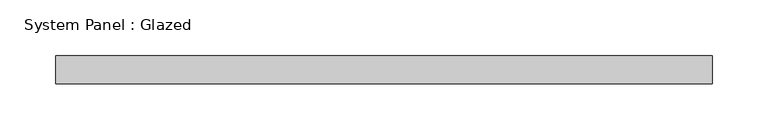
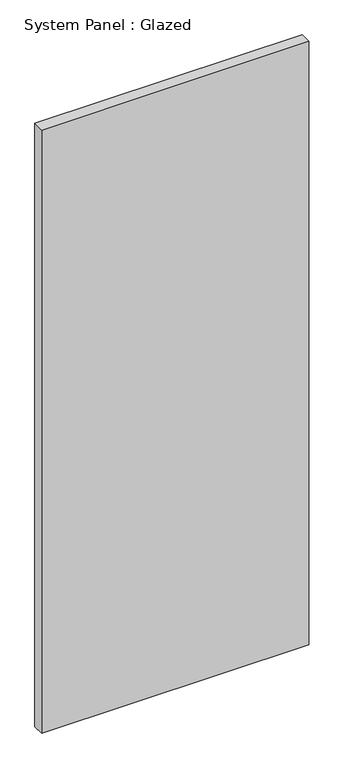
"""IFC4 building model written with IfcOpenShell, lengths in millimetres: plate geometry, System Panel : Glazed."""

import ifcopenshell
import ifcopenshell.guid

model = None  # the IFC model being written
_history = None  # IfcOwnerHistory: only IFC2X3 demands one
_inside = {}  # id of a spatial element -> (the spatial element, [elements in it])
_under = {}  # id of a project, library or spatial element -> (it, [spatial elements below it])
_declared = {}  # id of a project -> (the project, [libraries it declares])
_typed = {}  # id of a type object -> (the type object, [elements of that type])
_made_of = {}  # id of a material, layer set ... -> (it, [elements and type objects made of it])


def new_model(schema):
    """Start an empty IFC model of exactly this schema.

    Asked for "IFC4X3", IfcOpenShell would pick the latest addendum, in which some entities
    have other attributes; the version numbers below select the first issue.
    IFC2X3 requires an IfcOwnerHistory on every rooted entity: one is made here for all.
    """
    global model, _history
    if schema == "IFC4X3":
        model = ifcopenshell.file(schema_version=(4, 3, 0, 0))
    else:
        model = ifcopenshell.file(schema=schema)
    _inside.clear()
    _under.clear()
    _declared.clear()
    _typed.clear()
    _made_of.clear()
    _history = None
    if model.schema == "IFC2X3":
        org = make("IfcOrganization", Name="unknown")
        user = make(
            "IfcPersonAndOrganization",
            ThePerson=make("IfcPerson", FamilyName="unknown"),
            TheOrganization=org,
        )
        app = make(
            "IfcApplication",
            ApplicationDeveloper=org,
            Version="unknown",
            ApplicationFullName="unknown",
            ApplicationIdentifier="unknown",
        )
        _history = make(
            "IfcOwnerHistory",
            OwningUser=user,
            OwningApplication=app,
            ChangeAction="ADDED",
            CreationDate=0,
        )
    return model


def make(cls, **values):
    """One entity of the class cls with the attributes given. An attribute that is None is left unset."""
    return model.create_entity(
        cls, **{name: value for name, value in values.items() if value is not None}
    )


def rooted(cls, **values):
    """An entity with a GlobalId (a new one), such as an element, a storey or a relation."""
    return make(cls, GlobalId=ifcopenshell.guid.new(), OwnerHistory=_history, **values)


def si_unit(unit_type, name, prefix=None):
    """IfcSIUnit, for example si_unit("LENGTHUNIT", "METRE", prefix="MILLI")."""
    return make("IfcSIUnit", UnitType=unit_type, Prefix=prefix, Name=name)


def assignment(units):
    """IfcUnitAssignment: the units of a project."""
    return None if units is None else make("IfcUnitAssignment", Units=units)


def point(xyz):
    """IfcCartesianPoint."""
    return None if xyz is None else make("IfcCartesianPoint", Coordinates=xyz)


def direction(xyz):
    """IfcDirection."""
    return None if xyz is None else make("IfcDirection", DirectionRatios=xyz)


def frame(location, z_axis=None, x_axis=None):
    """IfcAxis2Placement3D, a coordinate frame: its origin and axes. An axis left out is left unset."""
    return make(
        "IfcAxis2Placement3D",
        Location=point(location),
        Axis=direction(z_axis),
        RefDirection=direction(x_axis),
    )


def origin():
    """The frame at (0, 0, 0) with its axes left unset."""
    return frame((0.0, 0.0, 0.0))


def origin_with_axes():
    """The frame at (0, 0, 0) with the z axis (0, 0, 1) and the x axis (1, 0, 0) written out."""
    return frame((0.0, 0.0, 0.0), z_axis=(0.0, 0.0, 1.0), x_axis=(1.0, 0.0, 0.0))


def place(relative_to, where):
    """IfcLocalPlacement: puts the frame where relative to a parent placement (None: the world)."""
    return make(
        "IfcLocalPlacement", PlacementRelTo=relative_to, RelativePlacement=where
    )


def context(
    kind, dimensions, precision=None, world=None, true_north=None, identifier=None
):
    """IfcGeometricRepresentationContext, for example the 3D "Model" context."""
    return make(
        "IfcGeometricRepresentationContext",
        ContextIdentifier=identifier,
        ContextType=kind,
        CoordinateSpaceDimension=dimensions,
        Precision=precision,
        WorldCoordinateSystem=world,
        TrueNorth=true_north,
    )


def project(units=None, contexts=None):
    """IfcProject with its units and contexts."""
    return rooted(
        "IfcProject",
        Name="project",
        RepresentationContexts=contexts,
        UnitsInContext=assignment(units),
    )


def spatial(cls, under=None, at=None, **own):
    """A site, building, storey or space (cls), placed at a placement, below another one or the project."""
    s = rooted(cls, ObjectPlacement=at, **own)
    if under is not None:
        _under.setdefault(under.id(), (under, []))[1].append(s)
    return s


def polyline(points):
    """IfcPolyline through the points."""
    return make("IfcPolyline", Points=[point(p) for p in points])


def outline(outer, holes=None, kind="AREA"):
    """IfcArbitraryClosedProfileDef: a profile drawn as a closed curve; with holes, ...WithVoids."""
    if holes is None:
        return make("IfcArbitraryClosedProfileDef", ProfileType=kind, OuterCurve=outer)
    return make(
        "IfcArbitraryProfileDefWithVoids",
        ProfileType=kind,
        OuterCurve=outer,
        InnerCurves=holes,
    )


def extrude(swept, where, along, depth):
    """IfcExtrudedAreaSolid: the profile swept, set in the frame where, extruded along a direction by depth."""
    return make(
        "IfcExtrudedAreaSolid",
        SweptArea=swept,
        Position=where,
        ExtrudedDirection=direction(along),
        Depth=depth,
    )


def shape(context_of_items, identifier, shape_type, items):
    """IfcShapeRepresentation: the items that make up one representation, for example the "Body"."""
    return make(
        "IfcShapeRepresentation",
        ContextOfItems=context_of_items,
        RepresentationIdentifier=identifier,
        RepresentationType=shape_type,
        Items=items,
    )


def source(mapping_origin, context_of_items, identifier, shape_type, items):
    """IfcRepresentationMap: a shape defined once, which mapped items show again and again."""
    return make(
        "IfcRepresentationMap",
        MappingOrigin=mapping_origin,
        MappedRepresentation=shape(context_of_items, identifier, shape_type, items),
    )


def transform(
    local_origin,
    x_axis=None,
    y_axis=None,
    z_axis=None,
    scale=None,
    scale2=None,
    scale3=None,
    uniform=True,
):
    """IfcCartesianTransformationOperator3D, or its non-uniform kind. x_axis, y_axis, z_axis: its Axis1, 2, 3."""
    if uniform:
        return make(
            "IfcCartesianTransformationOperator3D",
            Axis1=direction(x_axis),
            Axis2=direction(y_axis),
            LocalOrigin=point(local_origin),
            Scale=scale,
            Axis3=direction(z_axis),
        )
    return make(
        "IfcCartesianTransformationOperator3DnonUniform",
        Axis1=direction(x_axis),
        Axis2=direction(y_axis),
        LocalOrigin=point(local_origin),
        Scale=scale,
        Axis3=direction(z_axis),
        Scale2=scale2,
        Scale3=scale3,
    )


def mapped(mapping_source, mapping_target):
    """IfcMappedItem: shows the shape of a source again, moved by a transform."""
    return make(
        "IfcMappedItem", MappingSource=mapping_source, MappingTarget=mapping_target
    )


def made_of(thing, what):
    """Note that an element or type object is made of a material, layer set ...; save() writes the relation."""
    if what is not None:
        _made_of.setdefault(what.id(), (what, []))[1].append(thing)
    return thing


def element(
    cls,
    number,
    at=None,
    inside=None,
    cuts=None,
    type_object=None,
    material=None,
    context=None,
    identifier="Body",
    shape_type=None,
    held_by="IfcProductDefinitionShape",
    body=None,
    shapes=None,
    **own,
):
    """One element of the class cls, such as IfcWall. Its Tag is "e" and its number.

    at: its placement. inside: the storey or other place that contains it. cuts: it is an
    opening in that element (IfcRelVoidsElement). A single representation is given by context,
    identifier, shape_type and body (its items); several are given by shapes. held_by: the class
    of the entity that holds the representations. save() writes the other relations.
    """
    e = rooted(cls, Tag="e%d" % number, ObjectPlacement=at, **own)
    if body is not None:
        shapes = [shape(context, identifier, shape_type, body)]
    if shapes is not None:
        e.Representation = make(held_by, Representations=shapes)
    if inside is not None:
        _inside.setdefault(inside.id(), (inside, []))[1].append(e)
    if cuts is not None:
        rooted(
            "IfcRelVoidsElement", RelatingBuildingElement=cuts, RelatedOpeningElement=e
        )
    if type_object is not None:
        _typed.setdefault(type_object.id(), (type_object, []))[1].append(e)
    return made_of(e, material)


def aggregate(whole, parts):
    """IfcRelAggregates: a whole, such as a stair, and the parts it consists of."""
    return rooted("IfcRelAggregates", RelatingObject=whole, RelatedObjects=parts)


def save(model, path):
    """Write the relations noted so far, then the file.

    IfcRelAggregates (storeys below a building ...), IfcRelContainedInSpatialStructure (elements
    in a storey), IfcRelDefinesByType, IfcRelAssociatesMaterial and IfcRelDeclares: one each for
    every whole, place, type object, material and project.
    """
    for whole, parts in _under.values():
        aggregate(whole, parts)
    for where, things in _inside.values():
        rooted(
            "IfcRelContainedInSpatialStructure",
            RelatedElements=things,
            RelatingStructure=where,
        )
    for kind, things in _typed.values():
        rooted("IfcRelDefinesByType", RelatedObjects=things, RelatingType=kind)
    for what, things in _made_of.values():
        rooted("IfcRelAssociatesMaterial", RelatedObjects=things, RelatingMaterial=what)
    for by, libraries in _declared.values():
        rooted("IfcRelDeclares", RelatingContext=by, RelatedDefinitions=libraries)
    model.write(path)


def system_panel_glazed_ab4cfa6c(model_context):
    return source(origin(), model_context, "Body", "SweptSolid", [
        extrude(outline(polyline([(295.671875, -44.45), (-295.671875, -44.45), (-295.671875, -19.05), (295.671875, -19.05), (295.671875, -44.45)])), origin_with_axes(), (0.0, 0.0, 1.0), 1409.7),
    ])


if __name__ == "__main__":
    model = new_model("IFC4")
    model_context = context("Model", 3, world=origin())
    ifc_project = project(units=[si_unit("LENGTHUNIT", "METRE", prefix="MILLI")], contexts=[model_context])
    site = spatial("IfcSite", under=ifc_project)
    building = spatial("IfcBuilding", under=site)
    placement = place(None, origin())
    system_panel_glazed_shape = system_panel_glazed_ab4cfa6c(model_context)
    element("IfcPlate", 1, ObjectType="System Panel : Glazed", at=placement, inside=building, context=model_context, shape_type="MappedRepresentation", body=[
        mapped(system_panel_glazed_shape, transform((0.0, 0.0, 0.0), x_axis=(1.0, 0.0, 0.0), y_axis=(0.0, 1.0, 0.0), z_axis=(0.0, 0.0, 1.0))),
    ])
    save(model, "model.ifc")
